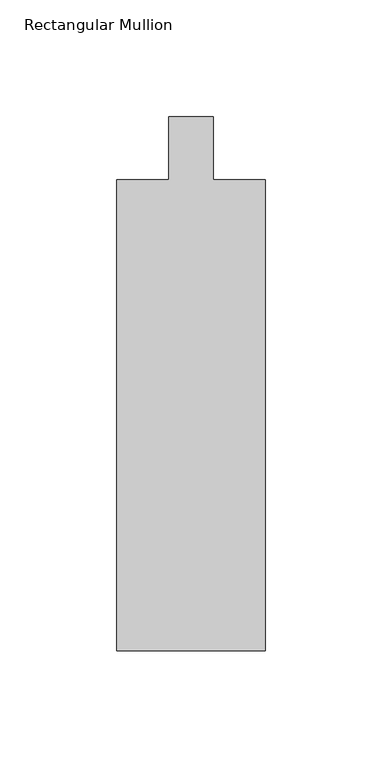
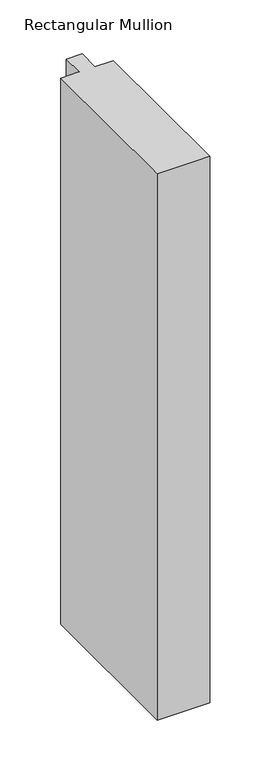
"""IFC4 building model written with IfcOpenShell, lengths in millimetres: member geometry, Rectangular Mullion."""

from ifc_helpers import new_model, si_unit, frame, origin, place, context, project, spatial, polyline, outline, extrude, source, transform, mapped, element, save


def rectangular_mullion_a8ff40d3(model_context):
    return source(origin(), model_context, "Body", "SweptSolid", [
        extrude(outline(polyline([(31.75, -228.6), (-31.75, -228.6), (-31.75, -26.9875), (-9.525, -26.9875), (-9.525, 0.0), (9.525, 0.0), (9.525, -26.9875), (31.75, -26.9875), (31.75, -228.6)])), frame((0.0, 0.0, -697.0398847), z_axis=(0.0, 0.0, 1.0), x_axis=(1.0, 0.0, 0.0)), (0.0, 0.0, 1.0), 697.0398847),
    ])


if __name__ == "__main__":
    model = new_model("IFC4")
    model_context = context("Model", 3, world=origin())
    ifc_project = project(units=[si_unit("LENGTHUNIT", "METRE", prefix="MILLI")], contexts=[model_context])
    site = spatial("IfcSite", under=ifc_project)
    building = spatial("IfcBuilding", under=site)
    placement = place(None, origin())
    rectangular_mullion_shape = rectangular_mullion_a8ff40d3(model_context)
    element("IfcMember", 1, ObjectType="Rectangular Mullion", at=placement, inside=building, context=model_context, shape_type="MappedRepresentation", body=[
        mapped(rectangular_mullion_shape, transform((0.0, 0.0, 0.0), x_axis=(1.0, 0.0, 0.0), y_axis=(0.0, 1.0, 0.0), z_axis=(0.0, 0.0, 1.0))),
    ])
    save(model, "model.ifc")
